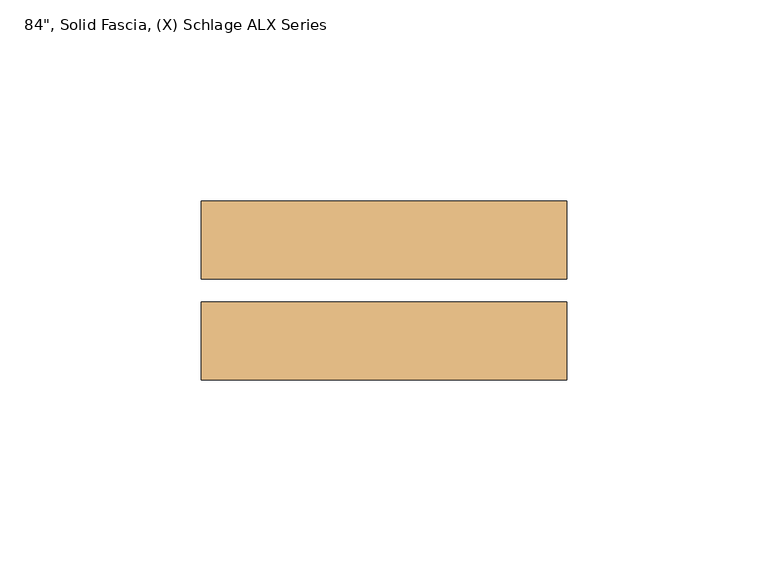
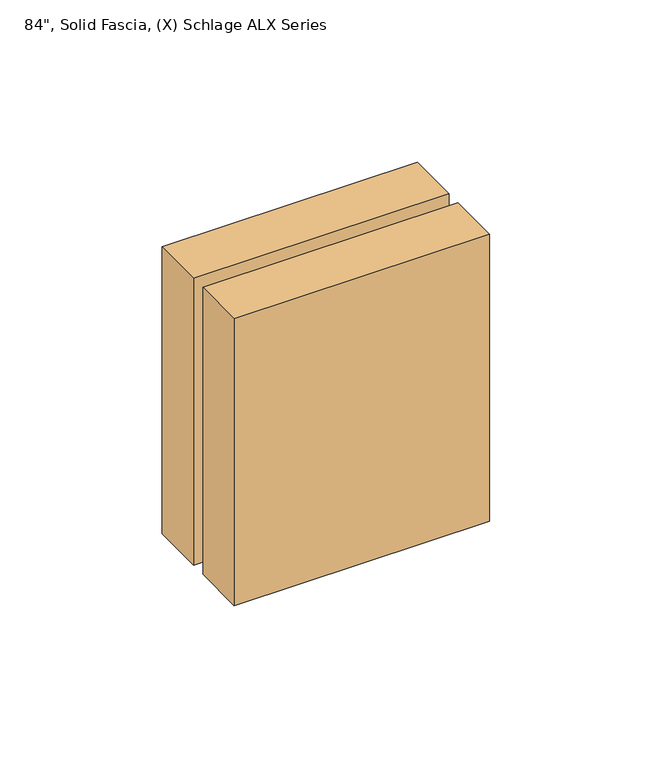
"""IFC4 building model written with IfcOpenShell, lengths in millimetres: door geometry."""

from ifc_helpers import new_model, si_unit, frame, origin, place, context, project, spatial, polyline, outline, extrude, source, transform, mapped, element, save


def door_7a5aaed2(model_context):
    return source(origin(), model_context, "Body", "SweptSolid", [
        extrude(outline(polyline([(453.0725, 49.2748545), (453.0725, 29.9073545), (362.2675, 29.9073545), (362.2675, 49.2748545), (453.0725, 49.2748545)])), frame((0.0, 0.0, 953.1373407), z_axis=(0.0, 0.0, 1.0), x_axis=(1.0, 0.0, 0.0)), (0.0, 0.0, 1.0), 107.95),
        extrude(outline(polyline([(453.0725, 24.1923545), (453.0725, 4.8248545), (362.2675, 4.8248545), (362.2675, 24.1923545), (453.0725, 24.1923545)])), frame((0.0, 0.0, 953.1373407), z_axis=(0.0, 0.0, 1.0), x_axis=(1.0, 0.0, 0.0)), (0.0, 0.0, 1.0), 107.95),
    ])


if __name__ == "__main__":
    model = new_model("IFC4")
    model_context = context("Model", 3, world=origin())
    ifc_project = project(units=[si_unit("LENGTHUNIT", "METRE", prefix="MILLI")], contexts=[model_context])
    site = spatial("IfcSite", under=ifc_project)
    building = spatial("IfcBuilding", under=site)
    placement = place(None, origin())
    door_shape = door_7a5aaed2(model_context)
    element("IfcDoor", 1, ObjectType="84\", Solid Fascia, (X) Schlage ALX Series", at=placement, inside=building, context=model_context, shape_type="MappedRepresentation", body=[
        mapped(door_shape, transform((0.0, 0.0, 0.0), x_axis=(1.0, 0.0, 0.0), y_axis=(0.0, 1.0, 0.0), z_axis=(0.0, 0.0, 1.0))),
    ])
    save(model, "model.ifc")
